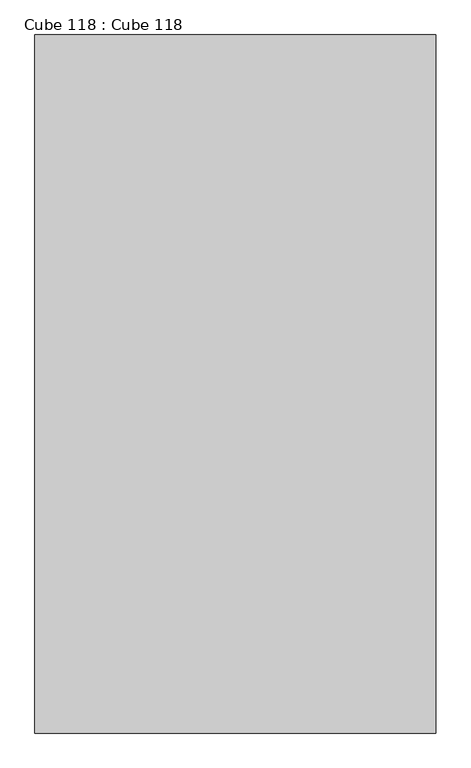
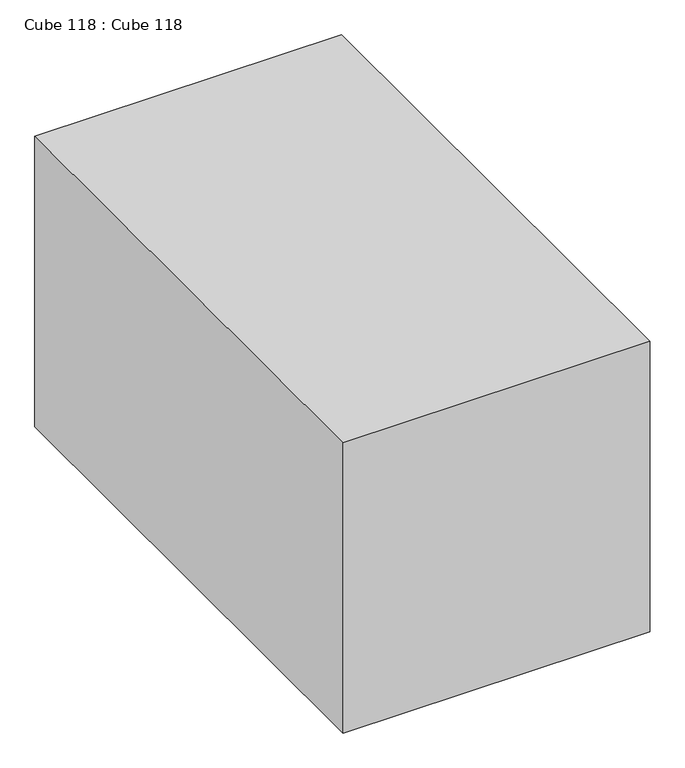
"""IFC4 building model written with IfcOpenShell, lengths in millimetres: proxy geometry, Cube 118 : Cube 118."""

from ifc_helpers import new_model, si_unit, origin, origin_with_axes, place, context, project, spatial, polyline, outline, extrude, source, transform, mapped, element, save


def cube_118_cube_118_56dc314c(model_context):
    return source(origin(), model_context, "Body", "SweptSolid", [
        extrude(outline(polyline([(2438.3995533, 6370.3198176), (6095.9997177, 6370.3198176), (6095.9997177, 0.0), (2438.3995533, 0.0), (2438.3995533, 6370.3198176)])), origin_with_axes(), (0.0, 0.0, 1.0), 3657.6004028),
    ])


if __name__ == "__main__":
    model = new_model("IFC4")
    model_context = context("Model", 3, world=origin())
    ifc_project = project(units=[si_unit("LENGTHUNIT", "METRE", prefix="MILLI")], contexts=[model_context])
    site = spatial("IfcSite", under=ifc_project)
    building = spatial("IfcBuilding", under=site)
    placement = place(None, origin())
    cube_118_cube_118_shape = cube_118_cube_118_56dc314c(model_context)
    element("IfcBuildingElementProxy", 1, Name="Cube 118 : Cube 118", ObjectType="Cube 118 : Cube 118", at=placement, inside=building, context=model_context, shape_type="MappedRepresentation", body=[
        mapped(cube_118_cube_118_shape, transform((0.0, 0.0, 0.0), x_axis=(1.0, 0.0, 0.0), y_axis=(0.0, 1.0, 0.0), z_axis=(0.0, 0.0, 1.0))),
    ])
    save(model, "model.ifc")
